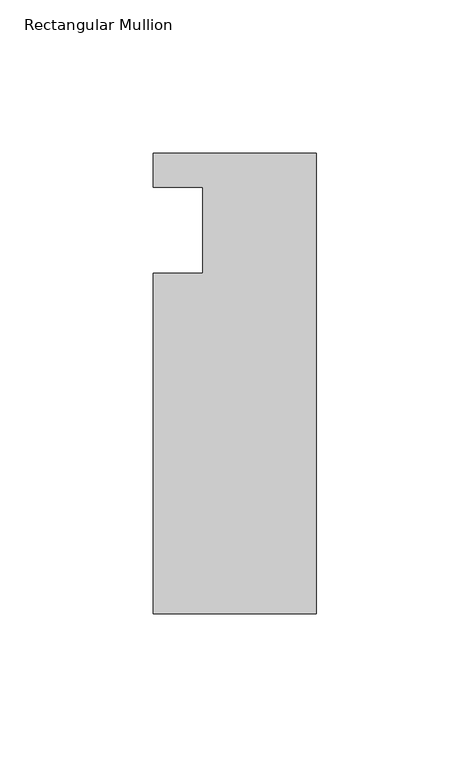
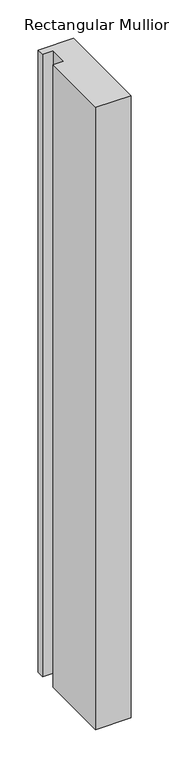
"""IFC4 building model written with IfcOpenShell, lengths in millimetres: member geometry, Rectangular Mullion."""

from ifc_helpers import new_model, si_unit, frame, origin, place, context, project, spatial, polyline, outline, extrude, source, transform, mapped, element, save


def rectangular_mullion_ab088d83(model_context):
    return source(origin(), model_context, "Body", "SweptSolid", [
        extrude(outline(polyline([(-37.0, -14.0), (-37.0, 14.0), (-53.0, 14.0), (-53.0, 25.0), (0.0, 25.0), (0.0, -125.0), (-53.0, -125.0), (-53.0, -14.0), (-37.0, -14.0)])), frame((0.0, 0.0, -990.6595328), z_axis=(0.0, 0.0, 1.0), x_axis=(1.0, 0.0, 0.0)), (0.0, 0.0, 1.0), 990.6595328),
    ])


if __name__ == "__main__":
    model = new_model("IFC4")
    model_context = context("Model", 3, world=origin())
    ifc_project = project(units=[si_unit("LENGTHUNIT", "METRE", prefix="MILLI")], contexts=[model_context])
    site = spatial("IfcSite", under=ifc_project)
    building = spatial("IfcBuilding", under=site)
    placement = place(None, origin())
    rectangular_mullion_shape = rectangular_mullion_ab088d83(model_context)
    element("IfcMember", 1, ObjectType="Rectangular Mullion", at=placement, inside=building, context=model_context, shape_type="MappedRepresentation", body=[
        mapped(rectangular_mullion_shape, transform((0.0, 0.0, 0.0), x_axis=(1.0, 0.0, 0.0), y_axis=(0.0, 1.0, 0.0), z_axis=(0.0, 0.0, 1.0))),
    ])
    save(model, "model.ifc")
